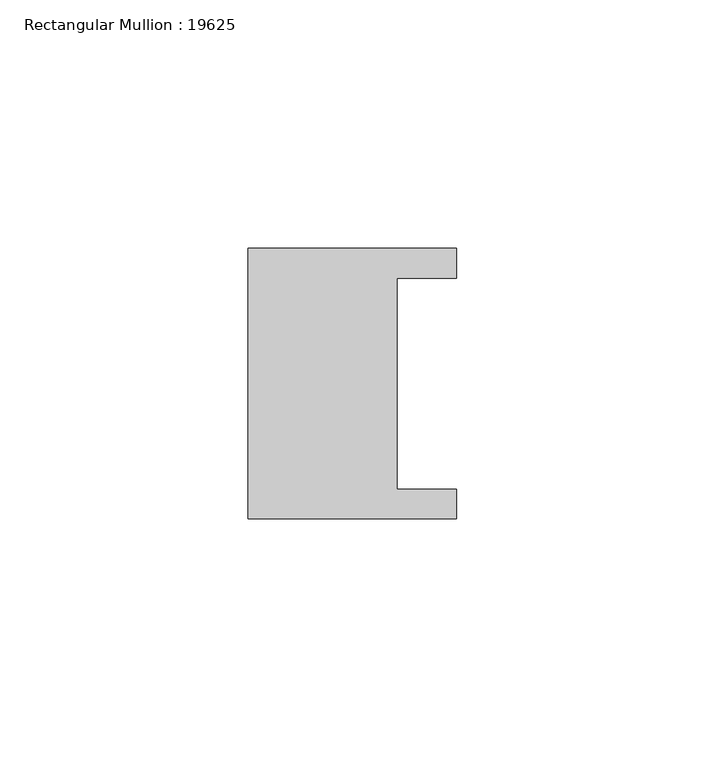
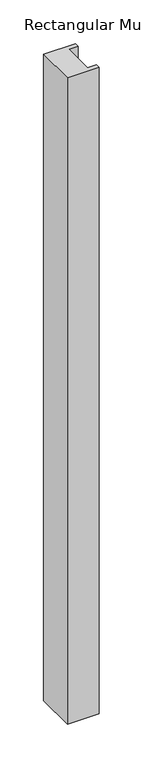
"""IFC4 building model written with IfcOpenShell, lengths in millimetres: member geometry, Rectangular Mullion : 19625."""

from ifc_helpers import new_model, si_unit, frame, origin, place, context, project, spatial, polyline, outline, extrude, source, transform, mapped, element, save


def rectangular_mullion_19625_6121ca76(model_context):
    return source(origin(), model_context, "Body", "SweptSolid", [
        extrude(outline(polyline([(-42.0, 27.25), (0.0, 27.25), (0.0, 21.25), (-12.0, 21.25), (-12.0, -21.25), (0.0, -21.25), (0.0, -27.25), (-42.0, -27.25), (-42.0, 27.25)])), frame((0.0, 0.0, -902.5), z_axis=(0.0, 0.0, 1.0), x_axis=(1.0, 0.0, 0.0)), (0.0, 0.0, 1.0), 902.5),
    ])


if __name__ == "__main__":
    model = new_model("IFC4")
    model_context = context("Model", 3, world=origin())
    ifc_project = project(units=[si_unit("LENGTHUNIT", "METRE", prefix="MILLI")], contexts=[model_context])
    site = spatial("IfcSite", under=ifc_project)
    building = spatial("IfcBuilding", under=site)
    placement = place(None, origin())
    rectangular_mullion_19625_shape = rectangular_mullion_19625_6121ca76(model_context)
    element("IfcMember", 1, ObjectType="Rectangular Mullion : 19625", at=placement, inside=building, context=model_context, shape_type="MappedRepresentation", body=[
        mapped(rectangular_mullion_19625_shape, transform((0.0, 0.0, 0.0), x_axis=(1.0, 0.0, 0.0), y_axis=(0.0, 1.0, 0.0), z_axis=(0.0, 0.0, 1.0))),
    ])
    save(model, "model.ifc")
